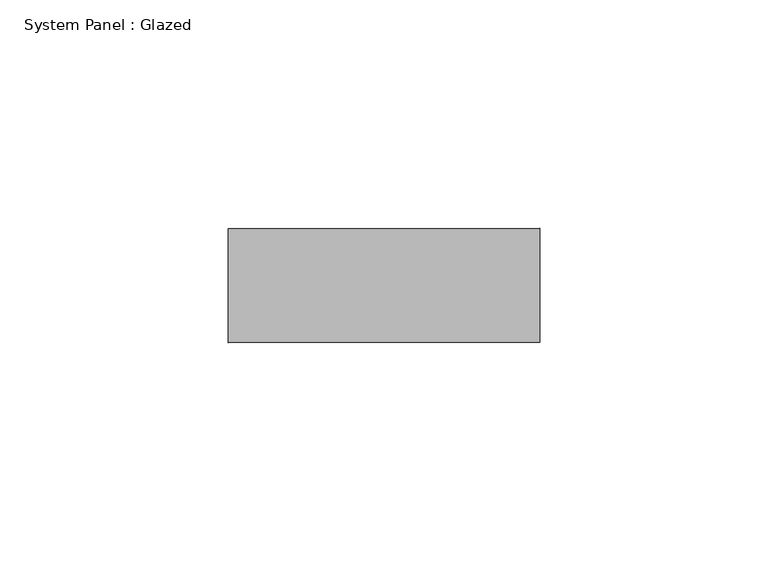
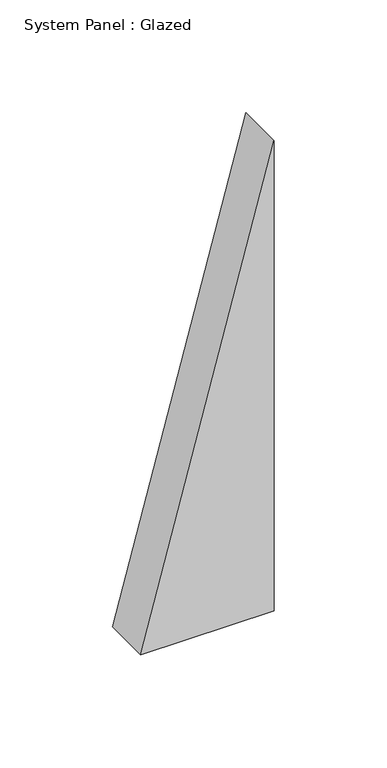
"""IFC4 building model written with IfcOpenShell, lengths in millimetres: plate geometry, System Panel : Glazed."""

from ifc_helpers import new_model, si_unit, frame, origin, place, context, project, spatial, polyline, outline, extrude, source, transform, mapped, element, save


def system_panel_glazed_007c42ea(model_context):
    return source(origin(), model_context, "Body", "SweptSolid", [
        extrude(outline(polyline([(0.0, -34.0975597), (0.0, 34.0975597), (254.5076507, 34.0975597), (0.0, -34.0975597)])), frame((0.0, -22.5, 0.0), z_axis=(0.0, 1.0, 0.0), x_axis=(0.0, 0.0, 1.0)), (0.0, 0.0, 1.0), 25.0),
    ])


if __name__ == "__main__":
    model = new_model("IFC4")
    model_context = context("Model", 3, world=origin())
    ifc_project = project(units=[si_unit("LENGTHUNIT", "METRE", prefix="MILLI")], contexts=[model_context])
    site = spatial("IfcSite", under=ifc_project)
    building = spatial("IfcBuilding", under=site)
    placement = place(None, origin())
    system_panel_glazed_shape = system_panel_glazed_007c42ea(model_context)
    element("IfcPlate", 1, ObjectType="System Panel : Glazed", at=placement, inside=building, context=model_context, shape_type="MappedRepresentation", body=[
        mapped(system_panel_glazed_shape, transform((0.0, 0.0, 0.0), x_axis=(1.0, 0.0, 0.0), y_axis=(0.0, 1.0, 0.0), z_axis=(0.0, 0.0, 1.0))),
    ])
    save(model, "model.ifc")
